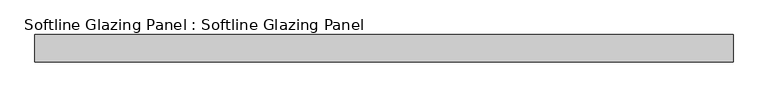
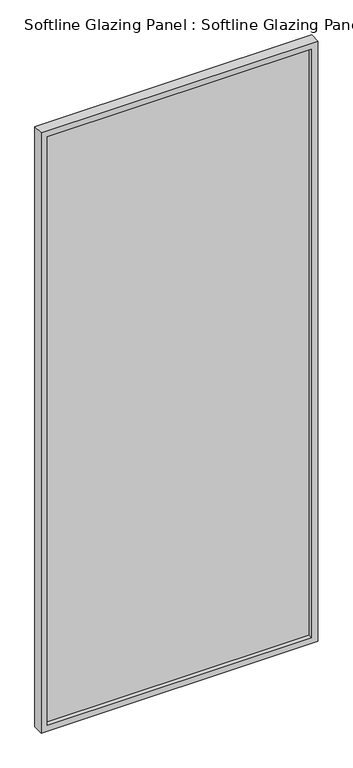
"""IFC4 building model written with IfcOpenShell, lengths in millimetres: plate geometry, Softline Glazing Panel : Softline Glazing Panel."""

from ifc_helpers import new_model, si_unit, frame, origin, place, context, project, spatial, polyline, outline, extrude, faceted_brep, source, transform, mapped, element, save


def softline_glazing_panel_softline_glazing_panel_25cdcabb(model_context):
    return source(origin(), model_context, "Body", "SolidModel", [
        extrude(outline(polyline([(560.5, 4.0), (560.5, -4.0), (-560.5, -4.0), (-560.5, 4.0), (560.5, 4.0)])), frame((0.0, 0.0, 16.0), z_axis=(0.0, 0.0, 1.0), x_axis=(1.0, 0.0, 0.0)), (0.0, 0.0, 1.0), 2614.0),
        faceted_brep([(550.5, 4.0, 26.0), (550.5, 22.5, 26.0), (-550.5, 22.5, 26.0), (-550.5, 4.0, 26.0), (560.5, -4.0, 16.0), (560.5, 4.0, 16.0), (-560.5, 4.0, 16.0), (-560.5, -4.0, 16.0), (550.5, -22.5, 26.0), (550.5, -4.0, 26.0), (-550.5, -4.0, 26.0), (-550.5, -22.5, 26.0), (576.5, 22.5, 0.0), (576.5, -22.5, 0.0), (-576.5, -22.5, 0.0), (-576.5, 22.5, 0.0), (-550.5, 22.5, 2620.0), (-550.5, 4.0, 2620.0), (-560.5, 4.0, 2630.0), (-560.5, -4.0, 2630.0), (-550.5, -4.0, 2620.0), (-550.5, -22.5, 2620.0), (-576.5, -22.5, 2646.0), (-576.5, 22.5, 2646.0), (550.5, 22.5, 2620.0), (550.5, 4.0, 2620.0), (560.5, 4.0, 2630.0), (560.5, -4.0, 2630.0), (550.5, -4.0, 2620.0), (550.5, -22.5, 2620.0), (576.5, -22.5, 2646.0), (576.5, 22.5, 2646.0)], [[[0, 1, 2, 3]], [[4, 5, 6, 7]], [[8, 9, 10, 11]], [[12, 13, 14, 15]], [[3, 2, 16, 17]], [[7, 6, 18, 19]], [[11, 10, 20, 21]], [[15, 14, 22, 23]], [[17, 16, 24, 25]], [[19, 18, 26, 27]], [[21, 20, 28, 29]], [[23, 22, 30, 31]], [[15, 23, 31, 12], [1, 24, 16, 2]], [[25, 24, 1, 0]], [[5, 26, 18, 6], [3, 17, 25, 0]], [[27, 26, 5, 4]], [[7, 19, 27, 4], [9, 28, 20, 10]], [[29, 28, 9, 8]], [[13, 30, 22, 14], [11, 21, 29, 8]], [[31, 30, 13, 12]]]),
    ])


if __name__ == "__main__":
    model = new_model("IFC4")
    model_context = context("Model", 3, world=origin())
    ifc_project = project(units=[si_unit("LENGTHUNIT", "METRE", prefix="MILLI")], contexts=[model_context])
    site = spatial("IfcSite", under=ifc_project)
    building = spatial("IfcBuilding", under=site)
    placement = place(None, origin())
    softline_glazing_panel_softline_glazing_panel_shape = softline_glazing_panel_softline_glazing_panel_25cdcabb(model_context)
    element("IfcPlate", 1, ObjectType="Softline Glazing Panel : Softline Glazing Panel", at=placement, inside=building, context=model_context, shape_type="MappedRepresentation", body=[
        mapped(softline_glazing_panel_softline_glazing_panel_shape, transform((0.0, 0.0, 0.0), x_axis=(1.0, 0.0, 0.0), y_axis=(0.0, 1.0, 0.0), z_axis=(0.0, 0.0, 1.0))),
    ])
    save(model, "model.ifc")
